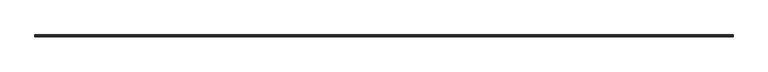
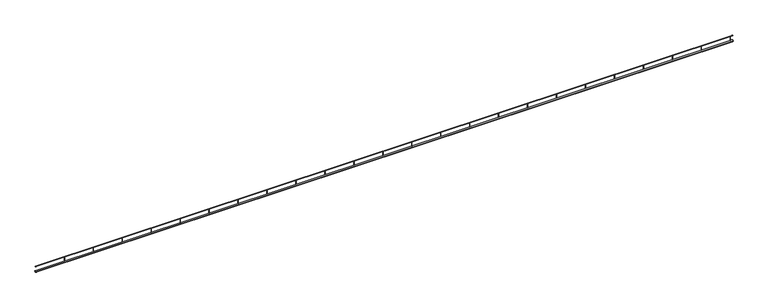
"""IFC4 building model written with IfcOpenShell, lengths in millimetres: railing geometry."""

from ifc_helpers import new_model, si_unit, point, frame, frame_2d, origin, place, context, project, spatial, circle_curve, trimmed, segment, composite_curve, outline, extrude, source, transform, mapped, element, save


def railing_84057d8d(model_context):
    return source(origin(), model_context, "Body", "SweptSolid", [
        extrude(outline(composite_curve([segment(trimmed(circle_curve(frame_2d((30211.9465374, 2505.0)), 15.0), [point((30226.9465374, 2505.0))], [point((30196.9465374, 2505.0))], False, "CARTESIAN"), True, "CONTINUOUS"), segment(trimmed(circle_curve(frame_2d((30211.9465374, 2505.0)), 15.0), [point((30196.9465374, 2505.0))], [point((30226.9465374, 2505.0))], False, "CARTESIAN"), True, "CONTINUOUS")], self_intersect=False)), frame((-9890.6702828, 0.0, 0.0), z_axis=(1.0, 0.0, 0.0), x_axis=(0.0, 1.0, 0.0)), (0.0, 0.0, 1.0), 12040.0),
        extrude(outline(composite_curve([segment(trimmed(circle_curve(frame_2d((30211.9465374, 2597.5)), 2.5), [point((30214.4465374, 2597.5))], [point((30209.4465374, 2597.5))], False, "CARTESIAN"), True, "CONTINUOUS"), segment(trimmed(circle_curve(frame_2d((30211.9465374, 2597.5)), 2.5), [point((30209.4465374, 2597.5))], [point((30214.4465374, 2597.5))], False, "CARTESIAN"), True, "CONTINUOUS")], self_intersect=False)), frame((-9890.6702828, 0.0, 0.0), z_axis=(1.0, 0.0, 0.0), x_axis=(0.0, 1.0, 0.0)), (0.0, 0.0, 1.0), 12040.0),
        extrude(outline(composite_curve([segment(trimmed(circle_curve(frame_2d((2109.3297172, 30211.9465374)), 2.5), [point((2109.3297172, 30214.4465374))], [point((2109.3297172, 30209.4465374))], False, "CARTESIAN"), True, "CONTINUOUS"), segment(trimmed(circle_curve(frame_2d((2109.3297172, 30211.9465374)), 2.5), [point((2109.3297172, 30209.4465374))], [point((2109.3297172, 30214.4465374))], False, "CARTESIAN"), True, "CONTINUOUS")], self_intersect=False)), frame((0.0, 0.0, 2520.0), z_axis=(0.0, 0.0, 1.0), x_axis=(1.0, 0.0, 0.0)), (0.0, 0.0, 1.0), 75.0),
        extrude(outline(composite_curve([segment(trimmed(circle_curve(frame_2d((1609.3297172, 30211.9465374)), 2.5), [point((1609.3297172, 30214.4465374))], [point((1609.3297172, 30209.4465374))], False, "CARTESIAN"), True, "CONTINUOUS"), segment(trimmed(circle_curve(frame_2d((1609.3297172, 30211.9465374)), 2.5), [point((1609.3297172, 30209.4465374))], [point((1609.3297172, 30214.4465374))], False, "CARTESIAN"), True, "CONTINUOUS")], self_intersect=False)), frame((0.0, 0.0, 2520.0), z_axis=(0.0, 0.0, 1.0), x_axis=(1.0, 0.0, 0.0)), (0.0, 0.0, 1.0), 75.0),
        extrude(outline(composite_curve([segment(trimmed(circle_curve(frame_2d((1109.3297172, 30211.9465374)), 2.5), [point((1109.3297172, 30214.4465374))], [point((1109.3297172, 30209.4465374))], False, "CARTESIAN"), True, "CONTINUOUS"), segment(trimmed(circle_curve(frame_2d((1109.3297172, 30211.9465374)), 2.5), [point((1109.3297172, 30209.4465374))], [point((1109.3297172, 30214.4465374))], False, "CARTESIAN"), True, "CONTINUOUS")], self_intersect=False)), frame((0.0, 0.0, 2520.0), z_axis=(0.0, 0.0, 1.0), x_axis=(1.0, 0.0, 0.0)), (0.0, 0.0, 1.0), 75.0),
        extrude(outline(composite_curve([segment(trimmed(circle_curve(frame_2d((609.3297172, 30211.9465374)), 2.5), [point((609.3297172, 30214.4465374))], [point((609.3297172, 30209.4465374))], False, "CARTESIAN"), True, "CONTINUOUS"), segment(trimmed(circle_curve(frame_2d((609.3297172, 30211.9465374)), 2.5), [point((609.3297172, 30209.4465374))], [point((609.3297172, 30214.4465374))], False, "CARTESIAN"), True, "CONTINUOUS")], self_intersect=False)), frame((0.0, 0.0, 2520.0), z_axis=(0.0, 0.0, 1.0), x_axis=(1.0, 0.0, 0.0)), (0.0, 0.0, 1.0), 75.0),
        extrude(outline(composite_curve([segment(trimmed(circle_curve(frame_2d((109.3297172, 30211.9465374)), 2.5), [point((109.3297172, 30214.4465374))], [point((109.3297172, 30209.4465374))], False, "CARTESIAN"), True, "CONTINUOUS"), segment(trimmed(circle_curve(frame_2d((109.3297172, 30211.9465374)), 2.5), [point((109.3297172, 30209.4465374))], [point((109.3297172, 30214.4465374))], False, "CARTESIAN"), True, "CONTINUOUS")], self_intersect=False)), frame((0.0, 0.0, 2520.0), z_axis=(0.0, 0.0, 1.0), x_axis=(1.0, 0.0, 0.0)), (0.0, 0.0, 1.0), 75.0),
        extrude(outline(composite_curve([segment(trimmed(circle_curve(frame_2d((-390.6702828, 30211.9465374)), 2.5), [point((-390.6702828, 30214.4465374))], [point((-390.6702828, 30209.4465374))], False, "CARTESIAN"), True, "CONTINUOUS"), segment(trimmed(circle_curve(frame_2d((-390.6702828, 30211.9465374)), 2.5), [point((-390.6702828, 30209.4465374))], [point((-390.6702828, 30214.4465374))], False, "CARTESIAN"), True, "CONTINUOUS")], self_intersect=False)), frame((0.0, 0.0, 2520.0), z_axis=(0.0, 0.0, 1.0), x_axis=(1.0, 0.0, 0.0)), (0.0, 0.0, 1.0), 75.0),
        extrude(outline(composite_curve([segment(trimmed(circle_curve(frame_2d((-890.6702828, 30211.9465374)), 2.5), [point((-890.6702828, 30214.4465374))], [point((-890.6702828, 30209.4465374))], False, "CARTESIAN"), True, "CONTINUOUS"), segment(trimmed(circle_curve(frame_2d((-890.6702828, 30211.9465374)), 2.5), [point((-890.6702828, 30209.4465374))], [point((-890.6702828, 30214.4465374))], False, "CARTESIAN"), True, "CONTINUOUS")], self_intersect=False)), frame((0.0, 0.0, 2520.0), z_axis=(0.0, 0.0, 1.0), x_axis=(1.0, 0.0, 0.0)), (0.0, 0.0, 1.0), 75.0),
        extrude(outline(composite_curve([segment(trimmed(circle_curve(frame_2d((-1390.6702828, 30211.9465374)), 2.5), [point((-1390.6702828, 30214.4465374))], [point((-1390.6702828, 30209.4465374))], False, "CARTESIAN"), True, "CONTINUOUS"), segment(trimmed(circle_curve(frame_2d((-1390.6702828, 30211.9465374)), 2.5), [point((-1390.6702828, 30209.4465374))], [point((-1390.6702828, 30214.4465374))], False, "CARTESIAN"), True, "CONTINUOUS")], self_intersect=False)), frame((0.0, 0.0, 2520.0), z_axis=(0.0, 0.0, 1.0), x_axis=(1.0, 0.0, 0.0)), (0.0, 0.0, 1.0), 75.0),
        extrude(outline(composite_curve([segment(trimmed(circle_curve(frame_2d((-1890.6702828, 30211.9465374)), 2.5), [point((-1890.6702828, 30214.4465374))], [point((-1890.6702828, 30209.4465374))], False, "CARTESIAN"), True, "CONTINUOUS"), segment(trimmed(circle_curve(frame_2d((-1890.6702828, 30211.9465374)), 2.5), [point((-1890.6702828, 30209.4465374))], [point((-1890.6702828, 30214.4465374))], False, "CARTESIAN"), True, "CONTINUOUS")], self_intersect=False)), frame((0.0, 0.0, 2520.0), z_axis=(0.0, 0.0, 1.0), x_axis=(1.0, 0.0, 0.0)), (0.0, 0.0, 1.0), 75.0),
        extrude(outline(composite_curve([segment(trimmed(circle_curve(frame_2d((-2390.6702828, 30211.9465374)), 2.5), [point((-2390.6702828, 30214.4465374))], [point((-2390.6702828, 30209.4465374))], False, "CARTESIAN"), True, "CONTINUOUS"), segment(trimmed(circle_curve(frame_2d((-2390.6702828, 30211.9465374)), 2.5), [point((-2390.6702828, 30209.4465374))], [point((-2390.6702828, 30214.4465374))], False, "CARTESIAN"), True, "CONTINUOUS")], self_intersect=False)), frame((0.0, 0.0, 2520.0), z_axis=(0.0, 0.0, 1.0), x_axis=(1.0, 0.0, 0.0)), (0.0, 0.0, 1.0), 75.0),
        extrude(outline(composite_curve([segment(trimmed(circle_curve(frame_2d((-2890.6702828, 30211.9465374)), 2.5), [point((-2890.6702828, 30214.4465374))], [point((-2890.6702828, 30209.4465374))], False, "CARTESIAN"), True, "CONTINUOUS"), segment(trimmed(circle_curve(frame_2d((-2890.6702828, 30211.9465374)), 2.5), [point((-2890.6702828, 30209.4465374))], [point((-2890.6702828, 30214.4465374))], False, "CARTESIAN"), True, "CONTINUOUS")], self_intersect=False)), frame((0.0, 0.0, 2520.0), z_axis=(0.0, 0.0, 1.0), x_axis=(1.0, 0.0, 0.0)), (0.0, 0.0, 1.0), 75.0),
        extrude(outline(composite_curve([segment(trimmed(circle_curve(frame_2d((-3390.6702828, 30211.9465374)), 2.5), [point((-3390.6702828, 30214.4465374))], [point((-3390.6702828, 30209.4465374))], False, "CARTESIAN"), True, "CONTINUOUS"), segment(trimmed(circle_curve(frame_2d((-3390.6702828, 30211.9465374)), 2.5), [point((-3390.6702828, 30209.4465374))], [point((-3390.6702828, 30214.4465374))], False, "CARTESIAN"), True, "CONTINUOUS")], self_intersect=False)), frame((0.0, 0.0, 2520.0), z_axis=(0.0, 0.0, 1.0), x_axis=(1.0, 0.0, 0.0)), (0.0, 0.0, 1.0), 75.0),
        extrude(outline(composite_curve([segment(trimmed(circle_curve(frame_2d((-3890.6702828, 30211.9465374)), 2.5), [point((-3890.6702828, 30214.4465374))], [point((-3890.6702828, 30209.4465374))], False, "CARTESIAN"), True, "CONTINUOUS"), segment(trimmed(circle_curve(frame_2d((-3890.6702828, 30211.9465374)), 2.5), [point((-3890.6702828, 30209.4465374))], [point((-3890.6702828, 30214.4465374))], False, "CARTESIAN"), True, "CONTINUOUS")], self_intersect=False)), frame((0.0, 0.0, 2520.0), z_axis=(0.0, 0.0, 1.0), x_axis=(1.0, 0.0, 0.0)), (0.0, 0.0, 1.0), 75.0),
        extrude(outline(composite_curve([segment(trimmed(circle_curve(frame_2d((-4390.6702828, 30211.9465374)), 2.5), [point((-4390.6702828, 30214.4465374))], [point((-4390.6702828, 30209.4465374))], False, "CARTESIAN"), True, "CONTINUOUS"), segment(trimmed(circle_curve(frame_2d((-4390.6702828, 30211.9465374)), 2.5), [point((-4390.6702828, 30209.4465374))], [point((-4390.6702828, 30214.4465374))], False, "CARTESIAN"), True, "CONTINUOUS")], self_intersect=False)), frame((0.0, 0.0, 2520.0), z_axis=(0.0, 0.0, 1.0), x_axis=(1.0, 0.0, 0.0)), (0.0, 0.0, 1.0), 75.0),
        extrude(outline(composite_curve([segment(trimmed(circle_curve(frame_2d((-4890.6702828, 30211.9465374)), 2.5), [point((-4890.6702828, 30214.4465374))], [point((-4890.6702828, 30209.4465374))], False, "CARTESIAN"), True, "CONTINUOUS"), segment(trimmed(circle_curve(frame_2d((-4890.6702828, 30211.9465374)), 2.5), [point((-4890.6702828, 30209.4465374))], [point((-4890.6702828, 30214.4465374))], False, "CARTESIAN"), True, "CONTINUOUS")], self_intersect=False)), frame((0.0, 0.0, 2520.0), z_axis=(0.0, 0.0, 1.0), x_axis=(1.0, 0.0, 0.0)), (0.0, 0.0, 1.0), 75.0),
        extrude(outline(composite_curve([segment(trimmed(circle_curve(frame_2d((-5390.6702828, 30211.9465374)), 2.5), [point((-5390.6702828, 30214.4465374))], [point((-5390.6702828, 30209.4465374))], False, "CARTESIAN"), True, "CONTINUOUS"), segment(trimmed(circle_curve(frame_2d((-5390.6702828, 30211.9465374)), 2.5), [point((-5390.6702828, 30209.4465374))], [point((-5390.6702828, 30214.4465374))], False, "CARTESIAN"), True, "CONTINUOUS")], self_intersect=False)), frame((0.0, 0.0, 2520.0), z_axis=(0.0, 0.0, 1.0), x_axis=(1.0, 0.0, 0.0)), (0.0, 0.0, 1.0), 75.0),
        extrude(outline(composite_curve([segment(trimmed(circle_curve(frame_2d((-5890.6702828, 30211.9465374)), 2.5), [point((-5890.6702828, 30214.4465374))], [point((-5890.6702828, 30209.4465374))], False, "CARTESIAN"), True, "CONTINUOUS"), segment(trimmed(circle_curve(frame_2d((-5890.6702828, 30211.9465374)), 2.5), [point((-5890.6702828, 30209.4465374))], [point((-5890.6702828, 30214.4465374))], False, "CARTESIAN"), True, "CONTINUOUS")], self_intersect=False)), frame((0.0, 0.0, 2520.0), z_axis=(0.0, 0.0, 1.0), x_axis=(1.0, 0.0, 0.0)), (0.0, 0.0, 1.0), 75.0),
        extrude(outline(composite_curve([segment(trimmed(circle_curve(frame_2d((-6390.6702828, 30211.9465374)), 2.5), [point((-6390.6702828, 30214.4465374))], [point((-6390.6702828, 30209.4465374))], False, "CARTESIAN"), True, "CONTINUOUS"), segment(trimmed(circle_curve(frame_2d((-6390.6702828, 30211.9465374)), 2.5), [point((-6390.6702828, 30209.4465374))], [point((-6390.6702828, 30214.4465374))], False, "CARTESIAN"), True, "CONTINUOUS")], self_intersect=False)), frame((0.0, 0.0, 2520.0), z_axis=(0.0, 0.0, 1.0), x_axis=(1.0, 0.0, 0.0)), (0.0, 0.0, 1.0), 75.0),
        extrude(outline(composite_curve([segment(trimmed(circle_curve(frame_2d((-6890.6702828, 30211.9465374)), 2.5), [point((-6890.6702828, 30214.4465374))], [point((-6890.6702828, 30209.4465374))], False, "CARTESIAN"), True, "CONTINUOUS"), segment(trimmed(circle_curve(frame_2d((-6890.6702828, 30211.9465374)), 2.5), [point((-6890.6702828, 30209.4465374))], [point((-6890.6702828, 30214.4465374))], False, "CARTESIAN"), True, "CONTINUOUS")], self_intersect=False)), frame((0.0, 0.0, 2520.0), z_axis=(0.0, 0.0, 1.0), x_axis=(1.0, 0.0, 0.0)), (0.0, 0.0, 1.0), 75.0),
        extrude(outline(composite_curve([segment(trimmed(circle_curve(frame_2d((-7390.6702828, 30211.9465374)), 2.5), [point((-7390.6702828, 30214.4465374))], [point((-7390.6702828, 30209.4465374))], False, "CARTESIAN"), True, "CONTINUOUS"), segment(trimmed(circle_curve(frame_2d((-7390.6702828, 30211.9465374)), 2.5), [point((-7390.6702828, 30209.4465374))], [point((-7390.6702828, 30214.4465374))], False, "CARTESIAN"), True, "CONTINUOUS")], self_intersect=False)), frame((0.0, 0.0, 2520.0), z_axis=(0.0, 0.0, 1.0), x_axis=(1.0, 0.0, 0.0)), (0.0, 0.0, 1.0), 75.0),
        extrude(outline(composite_curve([segment(trimmed(circle_curve(frame_2d((-7890.6702828, 30211.9465374)), 2.5), [point((-7890.6702828, 30214.4465374))], [point((-7890.6702828, 30209.4465374))], False, "CARTESIAN"), True, "CONTINUOUS"), segment(trimmed(circle_curve(frame_2d((-7890.6702828, 30211.9465374)), 2.5), [point((-7890.6702828, 30209.4465374))], [point((-7890.6702828, 30214.4465374))], False, "CARTESIAN"), True, "CONTINUOUS")], self_intersect=False)), frame((0.0, 0.0, 2520.0), z_axis=(0.0, 0.0, 1.0), x_axis=(1.0, 0.0, 0.0)), (0.0, 0.0, 1.0), 75.0),
        extrude(outline(composite_curve([segment(trimmed(circle_curve(frame_2d((-8390.6702828, 30211.9465374)), 2.5), [point((-8390.6702828, 30214.4465374))], [point((-8390.6702828, 30209.4465374))], False, "CARTESIAN"), True, "CONTINUOUS"), segment(trimmed(circle_curve(frame_2d((-8390.6702828, 30211.9465374)), 2.5), [point((-8390.6702828, 30209.4465374))], [point((-8390.6702828, 30214.4465374))], False, "CARTESIAN"), True, "CONTINUOUS")], self_intersect=False)), frame((0.0, 0.0, 2520.0), z_axis=(0.0, 0.0, 1.0), x_axis=(1.0, 0.0, 0.0)), (0.0, 0.0, 1.0), 75.0),
        extrude(outline(composite_curve([segment(trimmed(circle_curve(frame_2d((-8890.6702828, 30211.9465374)), 2.5), [point((-8890.6702828, 30214.4465374))], [point((-8890.6702828, 30209.4465374))], False, "CARTESIAN"), True, "CONTINUOUS"), segment(trimmed(circle_curve(frame_2d((-8890.6702828, 30211.9465374)), 2.5), [point((-8890.6702828, 30209.4465374))], [point((-8890.6702828, 30214.4465374))], False, "CARTESIAN"), True, "CONTINUOUS")], self_intersect=False)), frame((0.0, 0.0, 2520.0), z_axis=(0.0, 0.0, 1.0), x_axis=(1.0, 0.0, 0.0)), (0.0, 0.0, 1.0), 75.0),
        extrude(outline(composite_curve([segment(trimmed(circle_curve(frame_2d((-9390.6702828, 30211.9465374)), 2.5), [point((-9390.6702828, 30214.4465374))], [point((-9390.6702828, 30209.4465374))], False, "CARTESIAN"), True, "CONTINUOUS"), segment(trimmed(circle_curve(frame_2d((-9390.6702828, 30211.9465374)), 2.5), [point((-9390.6702828, 30209.4465374))], [point((-9390.6702828, 30214.4465374))], False, "CARTESIAN"), True, "CONTINUOUS")], self_intersect=False)), frame((0.0, 0.0, 2520.0), z_axis=(0.0, 0.0, 1.0), x_axis=(1.0, 0.0, 0.0)), (0.0, 0.0, 1.0), 75.0),
    ])


if __name__ == "__main__":
    model = new_model("IFC4")
    model_context = context("Model", 3, world=origin())
    ifc_project = project(units=[si_unit("LENGTHUNIT", "METRE", prefix="MILLI")], contexts=[model_context])
    site = spatial("IfcSite", under=ifc_project)
    building = spatial("IfcBuilding", under=site)
    placement = place(None, origin())
    railing_shape = railing_84057d8d(model_context)
    element("IfcRailing", 1, at=placement, inside=building, context=model_context, shape_type="MappedRepresentation", body=[
        mapped(railing_shape, transform((0.0, 0.0, 0.0), x_axis=(1.0, 0.0, 0.0), y_axis=(0.0, 1.0, 0.0), z_axis=(0.0, 0.0, 1.0))),
    ])
    save(model, "model.ifc")
